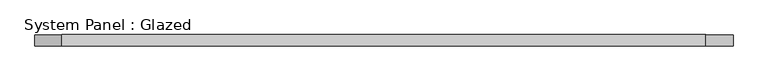
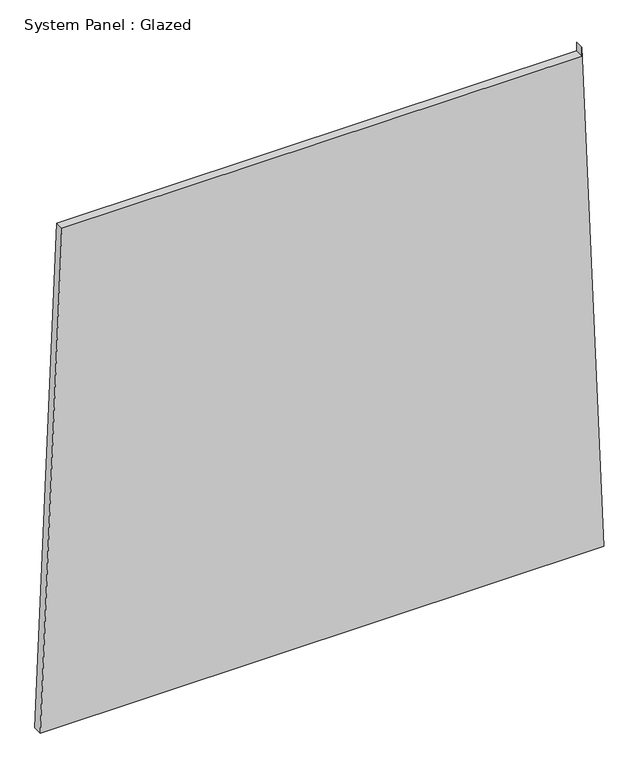
"""IFC4 building model written with IfcOpenShell, lengths in millimetres: plate geometry, System Panel : Glazed."""

from ifc_helpers import new_model, si_unit, frame, origin, place, context, project, spatial, polyline, outline, extrude, source, transform, mapped, element, save


def system_panel_glazed_f90cede5(model_context):
    return source(origin(), model_context, "Body", "SweptSolid", [
        extrude(outline(polyline([(0.0, -776.2291768), (0.0, 776.2291768), (1473.7206312, 715.3184747), (1448.7206312, 715.3184746), (1448.7206379, -716.3522523), (0.0, -776.2291768)])), frame((0.0, -49.5, 0.0), z_axis=(0.0, 1.0, 0.0), x_axis=(0.0, 0.0, 1.0)), (0.0, 0.0, 1.0), 25.0),
    ])


if __name__ == "__main__":
    model = new_model("IFC4")
    model_context = context("Model", 3, world=origin())
    ifc_project = project(units=[si_unit("LENGTHUNIT", "METRE", prefix="MILLI")], contexts=[model_context])
    site = spatial("IfcSite", under=ifc_project)
    building = spatial("IfcBuilding", under=site)
    placement = place(None, origin())
    system_panel_glazed_shape = system_panel_glazed_f90cede5(model_context)
    element("IfcPlate", 1, ObjectType="System Panel : Glazed", at=placement, inside=building, context=model_context, shape_type="MappedRepresentation", body=[
        mapped(system_panel_glazed_shape, transform((0.0, 0.0, 0.0), x_axis=(1.0, 0.0, 0.0), y_axis=(0.0, 1.0, 0.0), z_axis=(0.0, 0.0, 1.0))),
    ])
    save(model, "model.ifc")
